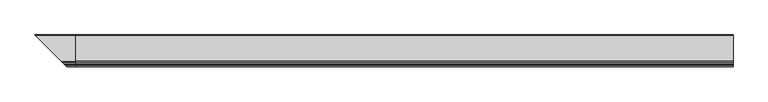
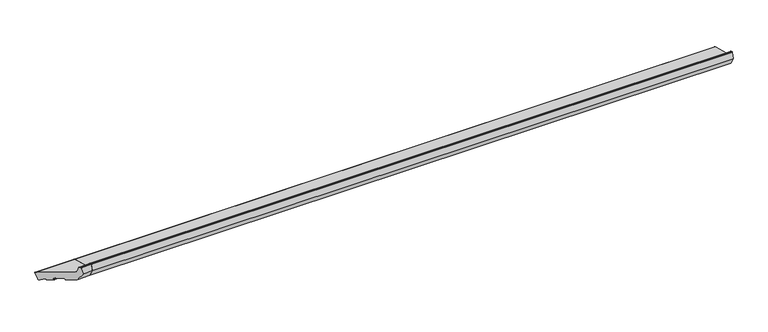
"""IFC4 building model written with IfcOpenShell, lengths in millimetres: proxy geometry."""

from ifc_helpers import new_model, si_unit, point, frame, frame_2d, origin, place, context, project, spatial, polyline, circle_curve, ellipse_curve, trimmed, segment, composite_curve, outline, extrude, source, transform, mapped, element, save
from ifc_brep_helpers import plane_surface, cylinder_surface, revolved_surface, advanced_brep


def generic_models_2296fade(model_context):
    return source(origin(), model_context, "Body", "SolidModel", [
        advanced_brep(
        [(0.0, 28.1351575, 11.0), (0.0, 34.8644526, 36.1140715), (0.0, 32.7431323, 39.7883061), (0.0, -70.1626434, 67.3618256), (0.0, -74.4052841, 71.6044663), (0.0, -79.1879801, 89.4537311), (0.0, -80.6368689, 90.5655025), (0.0, -83.9802434, 90.5655025), (0.0, -85.4291321, 89.4537311), (0.0, -92.0, 64.9309182), (0.0, -74.3223305, 34.3122964), (0.0, -45.3445557, 26.5477251), (0.0, -44.1198108, 27.2548319), (0.0, -43.0845346, 31.1185352), (0.0, -41.8597898, 31.8256419), (0.0, -13.8479408, 24.3198896), (0.0, -13.140834, 23.0951448), (0.0, -14.1761102, 19.2314415), (0.0, -13.4690034, 18.0066966), (0.0, 3.9176615, 13.3479538), (0.0, 5.1424063, 14.0550606), (0.0, 6.0916598, 17.5977226), (0.0, 7.5759156, 18.1940842), (0.0, 21.7441453, 9.606638), (0.0, 24.4609229, 8.8786797), (-154.1351575, 28.1351575, 11.0), (-160.8644526, 34.8644526, 36.1140715), (-158.7431323, 32.7431323, 39.7883061), (-55.8373566, -70.1626434, 67.3618256), (-51.5947159, -74.4052841, 71.6044663), (-46.8120199, -79.1879801, 89.4537311), (-45.3631311, -80.6368689, 90.5655025), (-42.0197566, -83.9802434, 90.5655025), (-40.5708679, -85.4291321, 89.4537311), (-34.0, -92.0, 64.9309182), (-51.6776695, -74.3223305, 34.3122964), (-80.6554443, -45.3445557, 26.5477251), (-81.8801892, -44.1198108, 27.2548319), (-82.9154654, -43.0845346, 31.1185352), (-84.1402102, -41.8597898, 31.8256419), (-112.1520592, -13.8479408, 24.3198896), (-112.859166, -13.140834, 23.0951448), (-111.8238898, -14.1761102, 19.2314415), (-112.5309966, -13.4690034, 18.0066966), (-129.9176615, 3.9176615, 13.3479538), (-131.1424063, 5.1424063, 14.0550606), (-132.0916598, 6.0916598, 17.5977226), (-133.5759156, 7.5759156, 18.1940842), (-147.7441453, 21.7441453, 9.606638), (-150.4609229, 24.4609229, 8.8786797)],
        [
            (0, 1),
            (1, 2, circle_curve(frame((0.0, 31.9666752, 36.8905286), z_axis=(1.0, 0.0, 0.0), x_axis=(0.0, 1.0, 0.0)), 3.0)),
            (2, 3),
            (3, 4, circle_curve(frame((0.0, -68.6097291, 73.1573805), z_axis=(-1.0, 0.0, 0.0), x_axis=(0.0, 1.0, 0.0)), 6.0)),
            (4, 5),
            (5, 6, circle_curve(frame((0.0, -80.6368689, 89.0655025), z_axis=(1.0, 0.0, 0.0), x_axis=(0.0, 1.0, 0.0)), 1.5)),
            (6, 7),
            (7, 8, circle_curve(frame((0.0, -83.9802434, 89.0655025), z_axis=(1.0, 0.0, 0.0), x_axis=(0.0, 1.0, 0.0)), 1.5)),
            (8, 9),
            (9, 10),
            (10, 11),
            (11, 12, circle_curve(frame((0.0, -45.0857366, 27.5136509), z_axis=(1.0, 0.0, 0.0), x_axis=(0.0, 1.0, 0.0)), 1.0)),
            (12, 13),
            (13, 14, circle_curve(frame((0.0, -42.1186088, 30.8597161), z_axis=(-1.0, 0.0, 0.0), x_axis=(0.0, 1.0, 0.0)), 1.0)),
            (14, 15),
            (15, 16, circle_curve(frame((0.0, -14.1067598, 23.3539638), z_axis=(-1.0, 0.0, 0.0), x_axis=(0.0, 1.0, 0.0)), 1.0)),
            (16, 17),
            (17, 18, circle_curve(frame((0.0, -13.2101844, 18.9726224), z_axis=(1.0, 0.0, 0.0), x_axis=(0.0, 1.0, 0.0)), 1.0)),
            (18, 19),
            (19, 20, circle_curve(frame((0.0, 4.1764805, 14.3138796), z_axis=(1.0, 0.0, 0.0), x_axis=(0.0, 1.0, 0.0)), 1.0)),
            (20, 21),
            (21, 22, circle_curve(frame((0.0, 7.0575856, 17.3389035), z_axis=(-1.0, 0.0, 0.0), x_axis=(0.0, 1.0, 0.0)), 1.0)),
            (22, 23),
            (23, 24),
            (24, 0, circle_curve(frame((0.0, 25.23738, 11.7764571), z_axis=(1.0, 0.0, 0.0), x_axis=(0.0, 1.0, 0.0)), 3.0)),
            (0, 25),
            (25, 26),
            (26, 1),
            (26, 27, ellipse_curve(frame((-157.9666752, 31.9666752, 36.8905286), z_axis=(0.707106781186548, 0.7071067811865471, 0.0), x_axis=(-0.707106781186547, 0.707106781186548, 0.0)), 4.2426407, 3.0)),
            (27, 2),
            (27, 28),
            (28, 3),
            (28, 29, ellipse_curve(frame((-57.3902709, -68.6097291, 73.1573805), z_axis=(-0.707106781186548, -0.7071067811865471, 0.0), x_axis=(0.707106781186547, -0.707106781186548, 0.0)), 8.4852814, 6.0)),
            (29, 4),
            (29, 30),
            (30, 5),
            (30, 31, ellipse_curve(frame((-45.3631311, -80.6368689, 89.0655025), z_axis=(0.707106781186548, 0.7071067811865471, 0.0), x_axis=(-0.707106781186547, 0.707106781186548, 0.0)), 2.1213203, 1.5)),
            (31, 6),
            (31, 32),
            (32, 7),
            (32, 33, ellipse_curve(frame((-42.0197566, -83.9802434, 89.0655025), z_axis=(0.707106781186548, 0.7071067811865471, 0.0), x_axis=(-0.707106781186547, 0.707106781186548, 0.0)), 2.1213203, 1.5)),
            (33, 8),
            (33, 34),
            (34, 9),
            (34, 35),
            (35, 10),
            (35, 36),
            (36, 11),
            (36, 37, ellipse_curve(frame((-80.9142634, -45.0857366, 27.5136509), z_axis=(0.707106781186548, 0.7071067811865471, 0.0), x_axis=(-0.707106781186547, 0.707106781186548, 0.0)), 1.4142136, 1.0)),
            (37, 12),
            (37, 38),
            (38, 13),
            (38, 39, ellipse_curve(frame((-83.8813912, -42.1186088, 30.8597161), z_axis=(-0.707106781186548, -0.7071067811865471, 0.0), x_axis=(0.707106781186547, -0.707106781186548, 0.0)), 1.4142136, 1.0)),
            (39, 14),
            (39, 40),
            (40, 15),
            (40, 41, ellipse_curve(frame((-111.8932402, -14.1067598, 23.3539638), z_axis=(-0.707106781186548, -0.7071067811865471, 0.0), x_axis=(0.707106781186547, -0.707106781186548, 0.0)), 1.4142136, 1.0)),
            (41, 16),
            (41, 42),
            (42, 17),
            (42, 43, ellipse_curve(frame((-112.7898156, -13.2101844, 18.9726224), z_axis=(0.707106781186548, 0.7071067811865471, 0.0), x_axis=(-0.707106781186547, 0.707106781186548, 0.0)), 1.4142136, 1.0)),
            (43, 18),
            (43, 44),
            (44, 19),
            (44, 45, ellipse_curve(frame((-130.1764805, 4.1764805, 14.3138796), z_axis=(0.707106781186548, 0.7071067811865471, 0.0), x_axis=(-0.707106781186547, 0.707106781186548, 0.0)), 1.4142136, 1.0)),
            (45, 20),
            (45, 46),
            (46, 21),
            (46, 47, ellipse_curve(frame((-133.0575856, 7.0575856, 17.3389035), z_axis=(-0.707106781186548, -0.7071067811865471, 0.0), x_axis=(0.707106781186547, -0.707106781186548, 0.0)), 1.4142136, 1.0)),
            (47, 22),
            (47, 48),
            (48, 23),
            (24, 49),
            (49, 25, ellipse_curve(frame((-151.23738, 25.23738, 11.7764571), z_axis=(0.707106781186548, 0.7071067811865471, 0.0), x_axis=(-0.707106781186547, 0.707106781186548, 0.0)), 4.2426407, 3.0)),
            (48, 49),
        ],
        [
            plane_surface(frame((0.0, 0.0, 0.0), z_axis=(1.0, 0.0, 0.0), x_axis=(0.0, 0.0, 1.0))),
            plane_surface(frame((-161.3741644, 34.8644526, 36.1140715), z_axis=(0.0, 0.9659258262890686, -0.2588190451025195), x_axis=(1.0, 0.0, 0.0))),
            cylinder_surface(frame((-161.3741644, 31.9666752, 36.8905286), z_axis=(-1.0, 0.0, 0.0), x_axis=(0.0, 1.0, 0.0)), 3.0),
            plane_surface(frame((-161.3741644, -70.1626434, 67.3618256), z_axis=(0.0, 0.25881904510252063, 0.9659258262890683), x_axis=(1.0, 0.0, 0.0))),
            revolved_surface(polyline([(0.0, -62.609729099999996, 73.1573805), (-63.39027091821606, -62.609729099999996, 73.1573805)]), (-161.3741644, -68.6097291, 73.1573805), (1.0, 0.0, 0.0)),
            plane_surface(frame((-161.3741644, -79.1879801, 89.4537311), z_axis=(0.0, 0.9659258262890666, 0.258819045102527), x_axis=(1.0, 0.0, 0.0))),
            cylinder_surface(frame((-161.3741644, -80.6368689, 89.0655025), z_axis=(-1.0, 0.0, 0.0), x_axis=(0.0, 1.0, 0.0)), 1.5),
            plane_surface(frame((-161.3741644, -83.9802434, 90.5655025), z_axis=(0.0, 0.0, 1.0), x_axis=(1.0, 0.0, 0.0))),
            cylinder_surface(frame((-161.3741644, -83.9802434, 89.0655025), z_axis=(-1.0, 0.0, 0.0), x_axis=(0.0, 1.0, 0.0)), 1.5),
            plane_surface(frame((-161.3741644, -92.0, 64.9309182), z_axis=(0.0, -0.9659258262890682, 0.25881904510252096), x_axis=(1.0, 0.0, 0.0))),
            plane_surface(frame((-161.3741644, -74.3223305, 34.3122964), z_axis=(0.0, -0.8660254037844386, -0.5000000000000002), x_axis=(1.0, 0.0, 0.0))),
            plane_surface(frame((-161.3741644, -45.3445557, 26.5477251), z_axis=(0.0, -0.2588190451025206, -0.9659258262890683), x_axis=(1.0, 0.0, 0.0))),
            cylinder_surface(frame((-161.3741644, -45.0857366, 27.5136509), z_axis=(-1.0, 0.0, 0.0), x_axis=(0.0, 1.0, 0.0)), 1.0),
            plane_surface(frame((-161.3741644, -43.0845346, 31.1185352), z_axis=(0.0, 0.9659258262890698, -0.2588190451025152), x_axis=(1.0, 0.0, 0.0))),
            revolved_surface(polyline([(0.0, -41.1186088, 30.8597161), (-84.88139122660624, -41.1186088, 30.8597161)]), (-161.3741644, -42.1186088, 30.8597161), (1.0, 0.0, 0.0)),
            plane_surface(frame((-161.3741644, -13.8479408, 24.3198896), z_axis=(0.0, -0.2588190451025199, -0.9659258262890685), x_axis=(1.0, 0.0, 0.0))),
            revolved_surface(polyline([(0.0, -13.1067598, 23.3539638), (-112.89324022660622, -13.1067598, 23.3539638)]), (-161.3741644, -14.1067598, 23.3539638), (1.0, 0.0, 0.0)),
            plane_surface(frame((-161.3741644, -14.1761102, 19.2314415), z_axis=(0.0, -0.9659258262890702, 0.25881904510251375), x_axis=(1.0, 0.0, 0.0))),
            cylinder_surface(frame((-161.3741644, -13.2101844, 18.9726224), z_axis=(-1.0, 0.0, 0.0), x_axis=(0.0, 1.0, 0.0)), 1.0),
            plane_surface(frame((-161.3741644, 3.9176615, 13.3479538), z_axis=(0.0, -0.2588190451025191, -0.9659258262890688), x_axis=(1.0, 0.0, 0.0))),
            cylinder_surface(frame((-161.3741644, 4.1764805, 14.3138796), z_axis=(-1.0, 0.0, 0.0), x_axis=(0.0, 1.0, 0.0)), 1.0),
            plane_surface(frame((-161.3741644, 6.0916598, 17.5977226), z_axis=(0.0, 0.9659258262890679, -0.2588190451025223), x_axis=(1.0, 0.0, 0.0))),
            revolved_surface(polyline([(0.0, 8.0575856, 17.3389035), (-134.05758562660625, 8.0575856, 17.3389035)]), (-161.3741644, 7.0575856, 17.3389035), (1.0, 0.0, 0.0)),
            plane_surface(frame((-161.3741644, 21.7441453, 9.606638), z_axis=(0.0, -0.5183299834329754, -0.855180699194253), x_axis=(1.0, 0.0, 0.0))),
            cylinder_surface(frame((-161.3741644, 25.23738, 11.7764571), z_axis=(-1.0, 0.0, 0.0), x_axis=(0.0, 1.0, 0.0)), 3.0),
            plane_surface(frame((-161.3741644, 24.4609229, 8.8786797), z_axis=(0.0, -0.25881904510252585, -0.9659258262890669), x_axis=(1.0, 0.0, 0.0))),
            plane_surface(frame((-107.2045815, -18.7954185, 0.0), z_axis=(-0.707106781186548, -0.7071067811865471, 0.0), x_axis=(0.0, 0.0, 1.0))),
        ],
        [
            (0, [[1, 2, 3, 4, 5, 6, 7, 8, 9, 10, 11, 12, 13, 14, 15, 16, 17, 18, 19, 20, 21, 22, 23, 24, 25]]),
            (1, [[-1, 26, 27, 28]]),
            (2, [[-2, -28, 29, 30]]),
            (3, [[-3, -30, 31, 32]]),
            (4, [[-4, -32, 33, 34]]),
            (5, [[-5, -34, 35, 36]]),
            (6, [[-6, -36, 37, 38]]),
            (7, [[-7, -38, 39, 40]]),
            (8, [[-8, -40, 41, 42]]),
            (9, [[-9, -42, 43, 44]]),
            (10, [[-10, -44, 45, 46]]),
            (11, [[-11, -46, 47, 48]]),
            (12, [[-12, -48, 49, 50]]),
            (13, [[-13, -50, 51, 52]]),
            (14, [[-14, -52, 53, 54]]),
            (15, [[-15, -54, 55, 56]]),
            (16, [[-16, -56, 57, 58]]),
            (17, [[-17, -58, 59, 60]]),
            (18, [[-18, -60, 61, 62]]),
            (19, [[-19, -62, 63, 64]]),
            (20, [[-20, -64, 65, 66]]),
            (21, [[-21, -66, 67, 68]]),
            (22, [[-22, -68, 69, 70]]),
            (23, [[-23, -70, 71, 72]]),
            (24, [[-25, 73, 74, -26]]),
            (25, [[-24, -72, 75, -73]]),
            (26, [[-27, -74, -75, -71, -69, -67, -65, -63, -61, -59, -57, -55, -53, -51, -49, -47, -45, -43, -41, -39, -37, -35, -33, -31, -29]]),
        ],
    ),
        extrude(outline(composite_curve([segment(trimmed(circle_curve(frame_2d((25.23738, 11.7764571)), 3.0), [point((28.1351575, 11.0))], [point((24.4609229, 8.8786797))], False, "CARTESIAN"), True, "CONTINUOUS"), segment(polyline([(24.4609229, 8.8786797), (21.7441453, 9.606638), (7.5759156, 18.1940842)]), True, "CONTINUOUS"), segment(trimmed(circle_curve(frame_2d((7.0575856, 17.3389035)), 1.0), [point((7.5759156, 18.1940842))], [point((6.0916598, 17.5977226))], True, "CARTESIAN"), True, "CONTINUOUS"), segment(polyline([(6.0916598, 17.5977226), (5.1424063, 14.0550606)]), True, "CONTINUOUS"), segment(trimmed(circle_curve(frame_2d((4.1764805, 14.3138796)), 1.0), [point((5.1424063, 14.0550606))], [point((3.9176615, 13.3479538))], False, "CARTESIAN"), True, "CONTINUOUS"), segment(polyline([(3.9176615, 13.3479538), (-13.4690034, 18.0066966)]), True, "CONTINUOUS"), segment(trimmed(circle_curve(frame_2d((-13.2101844, 18.9726224)), 1.0), [point((-13.4690034, 18.0066966))], [point((-14.1761102, 19.2314415))], False, "CARTESIAN"), True, "CONTINUOUS"), segment(polyline([(-14.1761102, 19.2314415), (-13.140834, 23.0951448)]), True, "CONTINUOUS"), segment(trimmed(circle_curve(frame_2d((-14.1067598, 23.3539638)), 1.0), [point((-13.140834, 23.0951448))], [point((-13.8479408, 24.3198896))], True, "CARTESIAN"), True, "CONTINUOUS"), segment(polyline([(-13.8479408, 24.3198896), (-41.8597898, 31.8256419)]), True, "CONTINUOUS"), segment(trimmed(circle_curve(frame_2d((-42.1186088, 30.8597161)), 1.0), [point((-41.8597898, 31.8256419))], [point((-43.0845346, 31.1185352))], True, "CARTESIAN"), True, "CONTINUOUS"), segment(polyline([(-43.0845346, 31.1185352), (-44.1198108, 27.2548319)]), True, "CONTINUOUS"), segment(trimmed(circle_curve(frame_2d((-45.0857366, 27.5136509)), 1.0), [point((-44.1198108, 27.2548319))], [point((-45.3445557, 26.5477251))], False, "CARTESIAN"), True, "CONTINUOUS"), segment(polyline([(-45.3445557, 26.5477251), (-74.3223305, 34.3122964), (-92.0, 64.9309182), (-85.4291321, 89.4537311)]), True, "CONTINUOUS"), segment(trimmed(circle_curve(frame_2d((-83.9802434, 89.0655025)), 1.5), [point((-85.4291321, 89.4537311))], [point((-83.9802434, 90.5655025))], False, "CARTESIAN"), True, "CONTINUOUS"), segment(polyline([(-83.9802434, 90.5655025), (-80.6368689, 90.5655025)]), True, "CONTINUOUS"), segment(trimmed(circle_curve(frame_2d((-80.6368689, 89.0655025)), 1.5), [point((-80.6368689, 90.5655025))], [point((-79.1879801, 89.4537311))], False, "CARTESIAN"), True, "CONTINUOUS"), segment(polyline([(-79.1879801, 89.4537311), (-74.4052841, 71.6044663)]), True, "CONTINUOUS"), segment(trimmed(circle_curve(frame_2d((-68.6097291, 73.1573805)), 6.0), [point((-74.4052841, 71.6044663))], [point((-70.1626434, 67.3618256))], True, "CARTESIAN"), True, "CONTINUOUS"), segment(polyline([(-70.1626434, 67.3618256), (32.7431323, 39.7883061)]), True, "CONTINUOUS"), segment(trimmed(circle_curve(frame_2d((31.9666752, 36.8905286)), 3.0), [point((32.7431323, 39.7883061))], [point((34.8644526, 36.1140715))], False, "CARTESIAN"), True, "CONTINUOUS"), segment(polyline([(34.8644526, 36.1140715), (28.1351575, 11.0)]), True, "CONTINUOUS")], self_intersect=False)), frame((0.0, 0.0, 0.0), z_axis=(1.0, 0.0, 0.0), x_axis=(0.0, 1.0, 0.0)), (0.0, 0.0, 1.0), 2620.0),
    ])


if __name__ == "__main__":
    model = new_model("IFC4")
    model_context = context("Model", 3, world=origin())
    ifc_project = project(units=[si_unit("LENGTHUNIT", "METRE", prefix="MILLI")], contexts=[model_context])
    site = spatial("IfcSite", under=ifc_project)
    building = spatial("IfcBuilding", under=site)
    placement = place(None, origin())
    generic_models_shape = generic_models_2296fade(model_context)
    element("IfcBuildingElementProxy", 1, Name="Generic Models", at=placement, inside=building, context=model_context, shape_type="MappedRepresentation", body=[
        mapped(generic_models_shape, transform((0.0, 0.0, 0.0), x_axis=(1.0, 0.0, 0.0), y_axis=(0.0, 1.0, 0.0), z_axis=(0.0, 0.0, 1.0))),
    ])
    save(model, "model.ifc")
